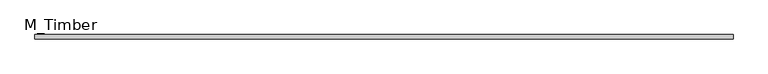
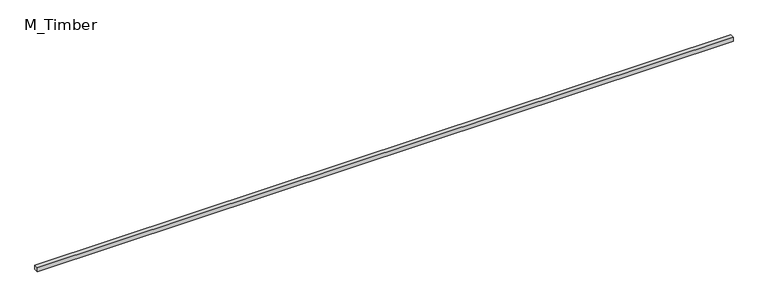
"""IFC4 building model written with IfcOpenShell, lengths in millimetres: beam geometry, M_Timber."""

import ifcopenshell
import ifcopenshell.guid

model = None  # the IFC model being written
_history = None  # IfcOwnerHistory: only IFC2X3 demands one
_inside = {}  # id of a spatial element -> (the spatial element, [elements in it])
_under = {}  # id of a project, library or spatial element -> (it, [spatial elements below it])
_declared = {}  # id of a project -> (the project, [libraries it declares])
_typed = {}  # id of a type object -> (the type object, [elements of that type])
_made_of = {}  # id of a material, layer set ... -> (it, [elements and type objects made of it])


def new_model(schema):
    """Start an empty IFC model of exactly this schema.

    Asked for "IFC4X3", IfcOpenShell would pick the latest addendum, in which some entities
    have other attributes; the version numbers below select the first issue.
    IFC2X3 requires an IfcOwnerHistory on every rooted entity: one is made here for all.
    """
    global model, _history
    if schema == "IFC4X3":
        model = ifcopenshell.file(schema_version=(4, 3, 0, 0))
    else:
        model = ifcopenshell.file(schema=schema)
    _inside.clear()
    _under.clear()
    _declared.clear()
    _typed.clear()
    _made_of.clear()
    _history = None
    if model.schema == "IFC2X3":
        org = make("IfcOrganization", Name="unknown")
        user = make(
            "IfcPersonAndOrganization",
            ThePerson=make("IfcPerson", FamilyName="unknown"),
            TheOrganization=org,
        )
        app = make(
            "IfcApplication",
            ApplicationDeveloper=org,
            Version="unknown",
            ApplicationFullName="unknown",
            ApplicationIdentifier="unknown",
        )
        _history = make(
            "IfcOwnerHistory",
            OwningUser=user,
            OwningApplication=app,
            ChangeAction="ADDED",
            CreationDate=0,
        )
    return model


def make(cls, **values):
    """One entity of the class cls with the attributes given. An attribute that is None is left unset."""
    return model.create_entity(
        cls, **{name: value for name, value in values.items() if value is not None}
    )


def rooted(cls, **values):
    """An entity with a GlobalId (a new one), such as an element, a storey or a relation."""
    return make(cls, GlobalId=ifcopenshell.guid.new(), OwnerHistory=_history, **values)


def si_unit(unit_type, name, prefix=None):
    """IfcSIUnit, for example si_unit("LENGTHUNIT", "METRE", prefix="MILLI")."""
    return make("IfcSIUnit", UnitType=unit_type, Prefix=prefix, Name=name)


def assignment(units):
    """IfcUnitAssignment: the units of a project."""
    return None if units is None else make("IfcUnitAssignment", Units=units)


def point(xyz):
    """IfcCartesianPoint."""
    return None if xyz is None else make("IfcCartesianPoint", Coordinates=xyz)


def direction(xyz):
    """IfcDirection."""
    return None if xyz is None else make("IfcDirection", DirectionRatios=xyz)


def frame(location, z_axis=None, x_axis=None):
    """IfcAxis2Placement3D, a coordinate frame: its origin and axes. An axis left out is left unset."""
    return make(
        "IfcAxis2Placement3D",
        Location=point(location),
        Axis=direction(z_axis),
        RefDirection=direction(x_axis),
    )


def origin():
    """The frame at (0, 0, 0) with its axes left unset."""
    return frame((0.0, 0.0, 0.0))


def place(relative_to, where):
    """IfcLocalPlacement: puts the frame where relative to a parent placement (None: the world)."""
    return make(
        "IfcLocalPlacement", PlacementRelTo=relative_to, RelativePlacement=where
    )


def context(
    kind, dimensions, precision=None, world=None, true_north=None, identifier=None
):
    """IfcGeometricRepresentationContext, for example the 3D "Model" context."""
    return make(
        "IfcGeometricRepresentationContext",
        ContextIdentifier=identifier,
        ContextType=kind,
        CoordinateSpaceDimension=dimensions,
        Precision=precision,
        WorldCoordinateSystem=world,
        TrueNorth=true_north,
    )


def project(units=None, contexts=None):
    """IfcProject with its units and contexts."""
    return rooted(
        "IfcProject",
        Name="project",
        RepresentationContexts=contexts,
        UnitsInContext=assignment(units),
    )


def spatial(cls, under=None, at=None, **own):
    """A site, building, storey or space (cls), placed at a placement, below another one or the project."""
    s = rooted(cls, ObjectPlacement=at, **own)
    if under is not None:
        _under.setdefault(under.id(), (under, []))[1].append(s)
    return s


def polyline(points):
    """IfcPolyline through the points."""
    return make("IfcPolyline", Points=[point(p) for p in points])


def outline(outer, holes=None, kind="AREA"):
    """IfcArbitraryClosedProfileDef: a profile drawn as a closed curve; with holes, ...WithVoids."""
    if holes is None:
        return make("IfcArbitraryClosedProfileDef", ProfileType=kind, OuterCurve=outer)
    return make(
        "IfcArbitraryProfileDefWithVoids",
        ProfileType=kind,
        OuterCurve=outer,
        InnerCurves=holes,
    )


def extrude(swept, where, along, depth):
    """IfcExtrudedAreaSolid: the profile swept, set in the frame where, extruded along a direction by depth."""
    return make(
        "IfcExtrudedAreaSolid",
        SweptArea=swept,
        Position=where,
        ExtrudedDirection=direction(along),
        Depth=depth,
    )


def shape(context_of_items, identifier, shape_type, items):
    """IfcShapeRepresentation: the items that make up one representation, for example the "Body"."""
    return make(
        "IfcShapeRepresentation",
        ContextOfItems=context_of_items,
        RepresentationIdentifier=identifier,
        RepresentationType=shape_type,
        Items=items,
    )


def source(mapping_origin, context_of_items, identifier, shape_type, items):
    """IfcRepresentationMap: a shape defined once, which mapped items show again and again."""
    return make(
        "IfcRepresentationMap",
        MappingOrigin=mapping_origin,
        MappedRepresentation=shape(context_of_items, identifier, shape_type, items),
    )


def transform(
    local_origin,
    x_axis=None,
    y_axis=None,
    z_axis=None,
    scale=None,
    scale2=None,
    scale3=None,
    uniform=True,
):
    """IfcCartesianTransformationOperator3D, or its non-uniform kind. x_axis, y_axis, z_axis: its Axis1, 2, 3."""
    if uniform:
        return make(
            "IfcCartesianTransformationOperator3D",
            Axis1=direction(x_axis),
            Axis2=direction(y_axis),
            LocalOrigin=point(local_origin),
            Scale=scale,
            Axis3=direction(z_axis),
        )
    return make(
        "IfcCartesianTransformationOperator3DnonUniform",
        Axis1=direction(x_axis),
        Axis2=direction(y_axis),
        LocalOrigin=point(local_origin),
        Scale=scale,
        Axis3=direction(z_axis),
        Scale2=scale2,
        Scale3=scale3,
    )


def mapped(mapping_source, mapping_target):
    """IfcMappedItem: shows the shape of a source again, moved by a transform."""
    return make(
        "IfcMappedItem", MappingSource=mapping_source, MappingTarget=mapping_target
    )


def made_of(thing, what):
    """Note that an element or type object is made of a material, layer set ...; save() writes the relation."""
    if what is not None:
        _made_of.setdefault(what.id(), (what, []))[1].append(thing)
    return thing


def element(
    cls,
    number,
    at=None,
    inside=None,
    cuts=None,
    type_object=None,
    material=None,
    context=None,
    identifier="Body",
    shape_type=None,
    held_by="IfcProductDefinitionShape",
    body=None,
    shapes=None,
    **own,
):
    """One element of the class cls, such as IfcWall. Its Tag is "e" and its number.

    at: its placement. inside: the storey or other place that contains it. cuts: it is an
    opening in that element (IfcRelVoidsElement). A single representation is given by context,
    identifier, shape_type and body (its items); several are given by shapes. held_by: the class
    of the entity that holds the representations. save() writes the other relations.
    """
    e = rooted(cls, Tag="e%d" % number, ObjectPlacement=at, **own)
    if body is not None:
        shapes = [shape(context, identifier, shape_type, body)]
    if shapes is not None:
        e.Representation = make(held_by, Representations=shapes)
    if inside is not None:
        _inside.setdefault(inside.id(), (inside, []))[1].append(e)
    if cuts is not None:
        rooted(
            "IfcRelVoidsElement", RelatingBuildingElement=cuts, RelatedOpeningElement=e
        )
    if type_object is not None:
        _typed.setdefault(type_object.id(), (type_object, []))[1].append(e)
    return made_of(e, material)


def aggregate(whole, parts):
    """IfcRelAggregates: a whole, such as a stair, and the parts it consists of."""
    return rooted("IfcRelAggregates", RelatingObject=whole, RelatedObjects=parts)


def save(model, path):
    """Write the relations noted so far, then the file.

    IfcRelAggregates (storeys below a building ...), IfcRelContainedInSpatialStructure (elements
    in a storey), IfcRelDefinesByType, IfcRelAssociatesMaterial and IfcRelDeclares: one each for
    every whole, place, type object, material and project.
    """
    for whole, parts in _under.values():
        aggregate(whole, parts)
    for where, things in _inside.values():
        rooted(
            "IfcRelContainedInSpatialStructure",
            RelatedElements=things,
            RelatingStructure=where,
        )
    for kind, things in _typed.values():
        rooted("IfcRelDefinesByType", RelatedObjects=things, RelatingType=kind)
    for what, things in _made_of.values():
        rooted("IfcRelAssociatesMaterial", RelatedObjects=things, RelatingMaterial=what)
    for by, libraries in _declared.values():
        rooted("IfcRelDeclares", RelatingContext=by, RelatedDefinitions=libraries)
    model.write(path)


def m_timber_709af87b(model_context):
    return source(origin(), model_context, "Body", "SweptSolid", [
        extrude(outline(polyline([(3212.9253825, 20.0), (3212.9253825, -20.0), (-3212.9253825, -20.0), (-3212.9253825, 20.0), (3212.9253825, 20.0)])), frame((0.0, 0.0, -20.0), z_axis=(0.0, 0.0, 1.0), x_axis=(1.0, 0.0, 0.0)), (0.0, 0.0, 1.0), 40.0),
    ])


if __name__ == "__main__":
    model = new_model("IFC4")
    model_context = context("Model", 3, world=origin())
    ifc_project = project(units=[si_unit("LENGTHUNIT", "METRE", prefix="MILLI")], contexts=[model_context])
    site = spatial("IfcSite", under=ifc_project)
    building = spatial("IfcBuilding", under=site)
    placement = place(None, origin())
    m_timber_shape = m_timber_709af87b(model_context)
    element("IfcBeam", 1, ObjectType="M_Timber", at=placement, inside=building, context=model_context, shape_type="MappedRepresentation", body=[
        mapped(m_timber_shape, transform((0.0, 0.0, 0.0), x_axis=(1.0, 0.0, 0.0), y_axis=(0.0, 1.0, 0.0), z_axis=(0.0, 0.0, 1.0))),
    ])
    save(model, "model.ifc")
